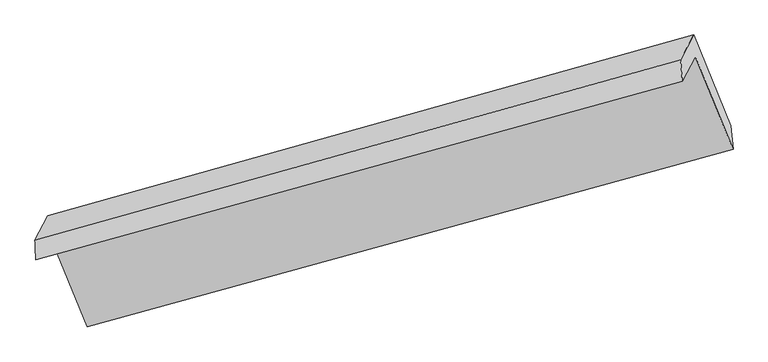
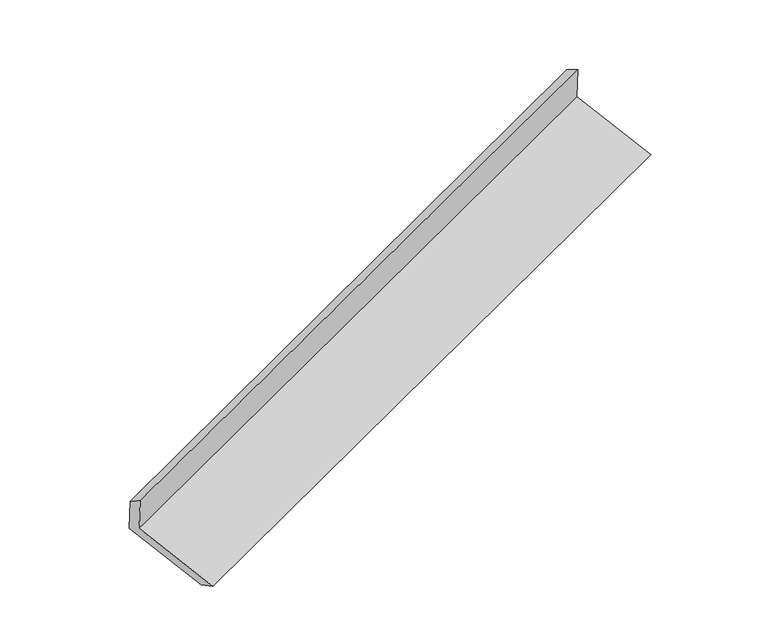
"""IFC4 building model written with IfcOpenShell, lengths in millimetres: proxy geometry."""

from ifc_helpers import new_model, si_unit, frame, origin, place, context, project, spatial, source, transform, mapped, element, save
from ifc_brep_helpers import plane_surface, spline_surface, advanced_brep


def generic_models_e00d25f1(model_context):
    return source(origin(), model_context, "Body", "AdvancedBrep", [
        advanced_brep(
        [(-5043.2876723, -2048.8727539, 1538.0238569), (-4957.2250625, -1885.5062176, 1174.8601607), (-857.528939, -758.7945494, 2653.2500325), (-940.4229036, -916.1462717, 3003.0428013), (-5048.4755565, -1924.8821927, 1457.0438314), (-950.9784944, -778.9499187, 2926.7312645), (-4965.6499699, -1767.6602673, 1107.539601), (-868.1529078, -621.7279933, 2577.2270341), (-4731.1194427, -2344.6592563, 903.5599141), (-633.6223806, -1198.7269823, 2373.2473472), (-4717.7319781, -2474.7142377, 966.5643582), (-618.0358546, -1348.0025695, 2444.9542299)],
        [
            (0, 1),
            (1, 2),
            (2, 3),
            (3, 0),
            (4, 0),
            (3, 5),
            (5, 4),
            (6, 4),
            (5, 7),
            (7, 6),
            (8, 6),
            (7, 9),
            (9, 8),
            (10, 8),
            (9, 11),
            (11, 10),
            (1, 10),
            (11, 2),
        ],
        [
            plane_surface(frame((-5000.2563674, -1967.1894857, 1356.4420088), z_axis=(0.35481416125752874, -0.8812250962490362, -0.31232873821022905), x_axis=(0.21124301414301822, 0.40098760240897185, -0.8913951602348293))),
            spline_surface(1, 1, [[(-5048.4755565, -1924.8821927, 1457.0438314), (-950.9784944, -778.9499187, 2926.7312645)], [(-5043.2876723, -2048.8727539, 1538.0238569), (-940.4229036, -916.1462717, 3003.0428013)]], [2, 2], [2, 2], [0.0, 1.0], [0.0, 1.0]),
            plane_surface(frame((-5007.0627632, -1846.27123, 1282.2917162), z_axis=(-0.35784711122696744, 0.8803861223315229, 0.31123258279392746), x_axis=(-0.2112430141430184, -0.40098760240897197, 0.8913951602348291))),
            plane_surface(frame((-4848.3847063, -2056.1597618, 1005.5497576), z_axis=(0.20821087813561157, 0.40014151416394506, -0.8924880945248419), x_axis=(-0.35784711122696766, 0.8803861223315218, 0.3112325827939309))),
            spline_surface(1, 1, [[(-4717.7319781, -2474.7142377, 966.5643582), (-618.0358546, -1348.0025695, 2444.9542299)], [(-4731.1194427, -2344.6592563, 903.5599141), (-633.6223806, -1198.7269823, 2373.2473472)]], [2, 2], [2, 2], [0.0, 1.0], [0.0, 1.0]),
            plane_surface(frame((-4837.4785203, -2180.1102276, 1070.7122594), z_axis=(-0.21124301414301863, -0.40098760240897297, 0.8913951602348289), x_axis=(0.35784711122696655, -0.880386122331523, -0.31123258279392874))),
            plane_surface(frame((-811.4569134, -937.0580475, 2663.0754516), z_axis=(0.909572335750317, 0.25323747416282705, 0.3294676732508733), x_axis=(-0.35784711122696766, 0.8803861223315218, 0.3112325827939309))),
            plane_surface(frame((-4910.5816137, -2074.3824876, 1191.265287), z_axis=(-0.9095723357503029, -0.2532374741628605, -0.3294676732508862), x_axis=(-0.21124301414301966, -0.4009876024089715, 0.891395160234829))),
        ],
        [
            (0, [[1, 2, 3, 4]]),
            (1, [[5, -4, 6, 7]]),
            (2, [[8, -7, 9, 10]]),
            (3, [[11, -10, 12, 13]]),
            (4, [[14, -13, 15, 16]]),
            (5, [[17, -16, 18, -2]]),
            (6, [[-12, -9, -6, -3, -18, -15]]),
            (7, [[-1, -5, -8, -11, -14, -17]]),
        ],
    ),
    ])


if __name__ == "__main__":
    model = new_model("IFC4")
    model_context = context("Model", 3, world=origin())
    ifc_project = project(units=[si_unit("LENGTHUNIT", "METRE", prefix="MILLI")], contexts=[model_context])
    site = spatial("IfcSite", under=ifc_project)
    building = spatial("IfcBuilding", under=site)
    placement = place(None, origin())
    generic_models_shape = generic_models_e00d25f1(model_context)
    element("IfcBuildingElementProxy", 1, Name="Generic Models", at=placement, inside=building, context=model_context, shape_type="MappedRepresentation", body=[
        mapped(generic_models_shape, transform((0.0, 0.0, 0.0), x_axis=(1.0, 0.0, 0.0), y_axis=(0.0, 1.0, 0.0), z_axis=(0.0, 0.0, 1.0))),
    ])
    save(model, "model.ifc")
